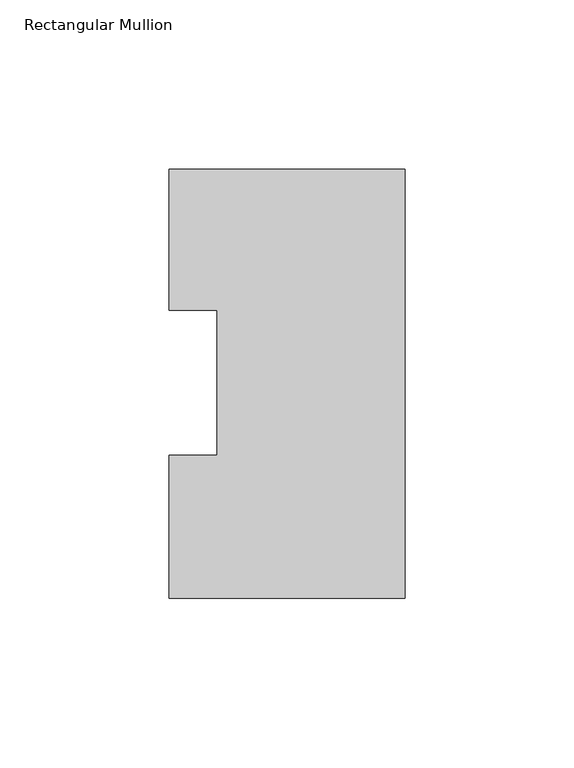
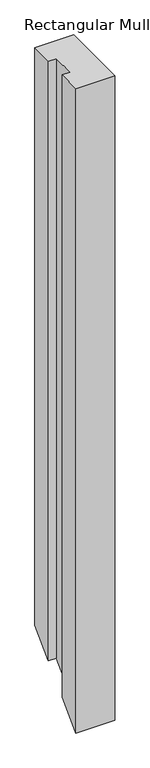
"""IFC4 building model written with IfcOpenShell, lengths in millimetres: member geometry, Rectangular Mullion."""

from ifc_helpers import new_model, si_unit, origin, place, context, project, spatial, faceted_brep, source, transform, mapped, element, save


def rectangular_mullion_7b954076(model_context):
    return source(origin(), model_context, "Body", "Brep", [
        faceted_brep([(-69.8489149, 126.9888875, 0.0), (-69.8489149, 85.1296875, 0.0), (-55.5639549, 85.1296875, 0.0), (-55.5639549, 42.2798875, 0.0), (-69.8489149, 42.2798875, 0.0), (-69.8489149, -0.0111125, 0.0), (0.0, -0.0111125, 0.0), (0.0, 126.9888875, 0.0), (-69.8489149, 126.9888875, -1092.2087312), (-69.8489149, 85.1296875, -1134.0679312), (-55.5639549, 85.1296875, -1134.0679312), (-55.5639549, 42.2798875, -1176.9177312), (-69.8489149, 42.2798875, -1176.9177312), (-69.8489149, -0.0111125, -1219.2087312), (0.0, -0.0111125, -1219.2087312), (0.0, 126.9888875, -1092.2087312)], [[[0, 1, 2, 3, 4, 5, 6, 7]], [[1, 0, 8, 9]], [[2, 1, 9, 10]], [[3, 2, 10, 11]], [[4, 3, 11, 12]], [[5, 4, 12, 13]], [[6, 5, 13, 14]], [[7, 6, 14, 15]], [[0, 7, 15, 8]], [[8, 15, 14, 13, 12, 11, 10, 9]]]),
    ])


if __name__ == "__main__":
    model = new_model("IFC4")
    model_context = context("Model", 3, world=origin())
    ifc_project = project(units=[si_unit("LENGTHUNIT", "METRE", prefix="MILLI")], contexts=[model_context])
    site = spatial("IfcSite", under=ifc_project)
    building = spatial("IfcBuilding", under=site)
    placement = place(None, origin())
    rectangular_mullion_shape = rectangular_mullion_7b954076(model_context)
    element("IfcMember", 1, ObjectType="Rectangular Mullion", at=placement, inside=building, context=model_context, shape_type="MappedRepresentation", body=[
        mapped(rectangular_mullion_shape, transform((0.0, 0.0, 0.0), x_axis=(1.0, 0.0, 0.0), y_axis=(0.0, 1.0, 0.0), z_axis=(0.0, 0.0, 1.0))),
    ])
    save(model, "model.ifc")
